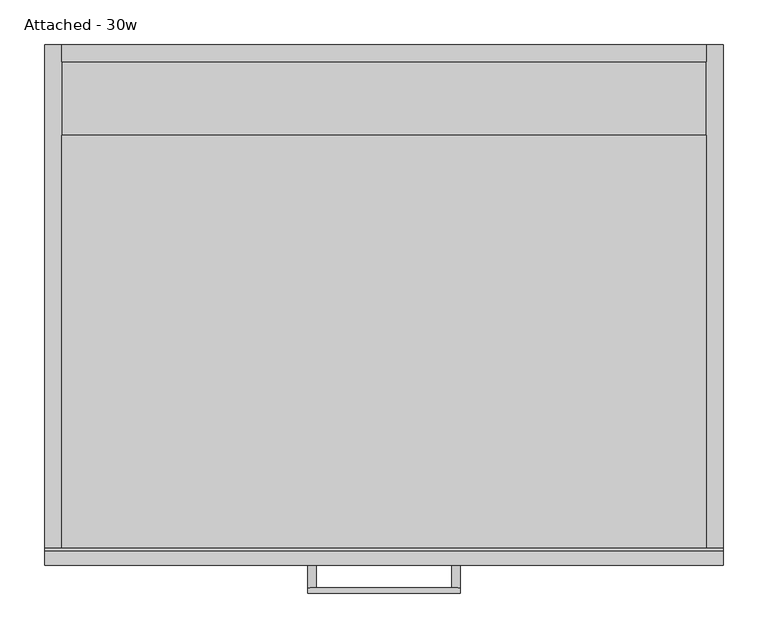
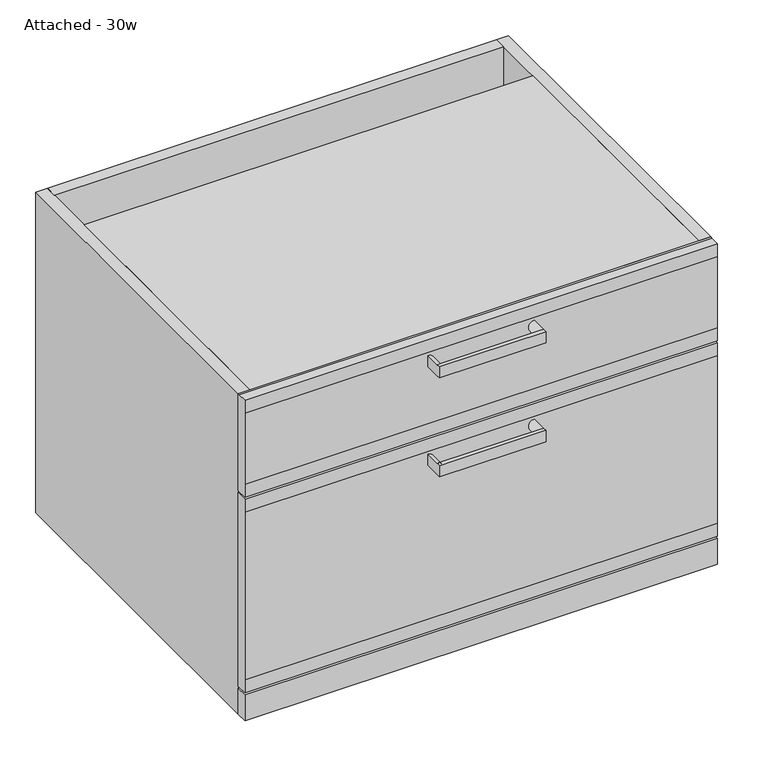
"""IFC4 building model written with IfcOpenShell, lengths in millimetres: furniture geometry, Attached - 30w."""

import ifcopenshell
import ifcopenshell.guid

model = None  # the IFC model being written
_history = None  # IfcOwnerHistory: only IFC2X3 demands one
_inside = {}  # id of a spatial element -> (the spatial element, [elements in it])
_under = {}  # id of a project, library or spatial element -> (it, [spatial elements below it])
_declared = {}  # id of a project -> (the project, [libraries it declares])
_typed = {}  # id of a type object -> (the type object, [elements of that type])
_made_of = {}  # id of a material, layer set ... -> (it, [elements and type objects made of it])


def new_model(schema):
    """Start an empty IFC model of exactly this schema.

    Asked for "IFC4X3", IfcOpenShell would pick the latest addendum, in which some entities
    have other attributes; the version numbers below select the first issue.
    IFC2X3 requires an IfcOwnerHistory on every rooted entity: one is made here for all.
    """
    global model, _history
    if schema == "IFC4X3":
        model = ifcopenshell.file(schema_version=(4, 3, 0, 0))
    else:
        model = ifcopenshell.file(schema=schema)
    _inside.clear()
    _under.clear()
    _declared.clear()
    _typed.clear()
    _made_of.clear()
    _history = None
    if model.schema == "IFC2X3":
        org = make("IfcOrganization", Name="unknown")
        user = make(
            "IfcPersonAndOrganization",
            ThePerson=make("IfcPerson", FamilyName="unknown"),
            TheOrganization=org,
        )
        app = make(
            "IfcApplication",
            ApplicationDeveloper=org,
            Version="unknown",
            ApplicationFullName="unknown",
            ApplicationIdentifier="unknown",
        )
        _history = make(
            "IfcOwnerHistory",
            OwningUser=user,
            OwningApplication=app,
            ChangeAction="ADDED",
            CreationDate=0,
        )
    return model


def make(cls, **values):
    """One entity of the class cls with the attributes given. An attribute that is None is left unset."""
    return model.create_entity(
        cls, **{name: value for name, value in values.items() if value is not None}
    )


def rooted(cls, **values):
    """An entity with a GlobalId (a new one), such as an element, a storey or a relation."""
    return make(cls, GlobalId=ifcopenshell.guid.new(), OwnerHistory=_history, **values)


def si_unit(unit_type, name, prefix=None):
    """IfcSIUnit, for example si_unit("LENGTHUNIT", "METRE", prefix="MILLI")."""
    return make("IfcSIUnit", UnitType=unit_type, Prefix=prefix, Name=name)


def assignment(units):
    """IfcUnitAssignment: the units of a project."""
    return None if units is None else make("IfcUnitAssignment", Units=units)


def point(xyz):
    """IfcCartesianPoint."""
    return None if xyz is None else make("IfcCartesianPoint", Coordinates=xyz)


def direction(xyz):
    """IfcDirection."""
    return None if xyz is None else make("IfcDirection", DirectionRatios=xyz)


def frame(location, z_axis=None, x_axis=None):
    """IfcAxis2Placement3D, a coordinate frame: its origin and axes. An axis left out is left unset."""
    return make(
        "IfcAxis2Placement3D",
        Location=point(location),
        Axis=direction(z_axis),
        RefDirection=direction(x_axis),
    )


def origin():
    """The frame at (0, 0, 0) with its axes left unset."""
    return frame((0.0, 0.0, 0.0))


def origin_with_axes():
    """The frame at (0, 0, 0) with the z axis (0, 0, 1) and the x axis (1, 0, 0) written out."""
    return frame((0.0, 0.0, 0.0), z_axis=(0.0, 0.0, 1.0), x_axis=(1.0, 0.0, 0.0))


def place(relative_to, where):
    """IfcLocalPlacement: puts the frame where relative to a parent placement (None: the world)."""
    return make(
        "IfcLocalPlacement", PlacementRelTo=relative_to, RelativePlacement=where
    )


def context(
    kind, dimensions, precision=None, world=None, true_north=None, identifier=None
):
    """IfcGeometricRepresentationContext, for example the 3D "Model" context."""
    return make(
        "IfcGeometricRepresentationContext",
        ContextIdentifier=identifier,
        ContextType=kind,
        CoordinateSpaceDimension=dimensions,
        Precision=precision,
        WorldCoordinateSystem=world,
        TrueNorth=true_north,
    )


def project(units=None, contexts=None):
    """IfcProject with its units and contexts."""
    return rooted(
        "IfcProject",
        Name="project",
        RepresentationContexts=contexts,
        UnitsInContext=assignment(units),
    )


def spatial(cls, under=None, at=None, **own):
    """A site, building, storey or space (cls), placed at a placement, below another one or the project."""
    s = rooted(cls, ObjectPlacement=at, **own)
    if under is not None:
        _under.setdefault(under.id(), (under, []))[1].append(s)
    return s


def polyline(points):
    """IfcPolyline through the points."""
    return make("IfcPolyline", Points=[point(p) for p in points])


def circle_curve(where, radius):
    """IfcCircle in the frame where."""
    return make("IfcCircle", Position=where, Radius=radius)


def outline(outer, holes=None, kind="AREA"):
    """IfcArbitraryClosedProfileDef: a profile drawn as a closed curve; with holes, ...WithVoids."""
    if holes is None:
        return make("IfcArbitraryClosedProfileDef", ProfileType=kind, OuterCurve=outer)
    return make(
        "IfcArbitraryProfileDefWithVoids",
        ProfileType=kind,
        OuterCurve=outer,
        InnerCurves=holes,
    )


def extrude(swept, where, along, depth):
    """IfcExtrudedAreaSolid: the profile swept, set in the frame where, extruded along a direction by depth."""
    return make(
        "IfcExtrudedAreaSolid",
        SweptArea=swept,
        Position=where,
        ExtrudedDirection=direction(along),
        Depth=depth,
    )


def shape(context_of_items, identifier, shape_type, items):
    """IfcShapeRepresentation: the items that make up one representation, for example the "Body"."""
    return make(
        "IfcShapeRepresentation",
        ContextOfItems=context_of_items,
        RepresentationIdentifier=identifier,
        RepresentationType=shape_type,
        Items=items,
    )


def source(mapping_origin, context_of_items, identifier, shape_type, items):
    """IfcRepresentationMap: a shape defined once, which mapped items show again and again."""
    return make(
        "IfcRepresentationMap",
        MappingOrigin=mapping_origin,
        MappedRepresentation=shape(context_of_items, identifier, shape_type, items),
    )


def transform(
    local_origin,
    x_axis=None,
    y_axis=None,
    z_axis=None,
    scale=None,
    scale2=None,
    scale3=None,
    uniform=True,
):
    """IfcCartesianTransformationOperator3D, or its non-uniform kind. x_axis, y_axis, z_axis: its Axis1, 2, 3."""
    if uniform:
        return make(
            "IfcCartesianTransformationOperator3D",
            Axis1=direction(x_axis),
            Axis2=direction(y_axis),
            LocalOrigin=point(local_origin),
            Scale=scale,
            Axis3=direction(z_axis),
        )
    return make(
        "IfcCartesianTransformationOperator3DnonUniform",
        Axis1=direction(x_axis),
        Axis2=direction(y_axis),
        LocalOrigin=point(local_origin),
        Scale=scale,
        Axis3=direction(z_axis),
        Scale2=scale2,
        Scale3=scale3,
    )


def mapped(mapping_source, mapping_target):
    """IfcMappedItem: shows the shape of a source again, moved by a transform."""
    return make(
        "IfcMappedItem", MappingSource=mapping_source, MappingTarget=mapping_target
    )


def made_of(thing, what):
    """Note that an element or type object is made of a material, layer set ...; save() writes the relation."""
    if what is not None:
        _made_of.setdefault(what.id(), (what, []))[1].append(thing)
    return thing


def element(
    cls,
    number,
    at=None,
    inside=None,
    cuts=None,
    type_object=None,
    material=None,
    context=None,
    identifier="Body",
    shape_type=None,
    held_by="IfcProductDefinitionShape",
    body=None,
    shapes=None,
    **own,
):
    """One element of the class cls, such as IfcWall. Its Tag is "e" and its number.

    at: its placement. inside: the storey or other place that contains it. cuts: it is an
    opening in that element (IfcRelVoidsElement). A single representation is given by context,
    identifier, shape_type and body (its items); several are given by shapes. held_by: the class
    of the entity that holds the representations. save() writes the other relations.
    """
    e = rooted(cls, Tag="e%d" % number, ObjectPlacement=at, **own)
    if body is not None:
        shapes = [shape(context, identifier, shape_type, body)]
    if shapes is not None:
        e.Representation = make(held_by, Representations=shapes)
    if inside is not None:
        _inside.setdefault(inside.id(), (inside, []))[1].append(e)
    if cuts is not None:
        rooted(
            "IfcRelVoidsElement", RelatingBuildingElement=cuts, RelatedOpeningElement=e
        )
    if type_object is not None:
        _typed.setdefault(type_object.id(), (type_object, []))[1].append(e)
    return made_of(e, material)


def aggregate(whole, parts):
    """IfcRelAggregates: a whole, such as a stair, and the parts it consists of."""
    return rooted("IfcRelAggregates", RelatingObject=whole, RelatedObjects=parts)


def save(model, path):
    """Write the relations noted so far, then the file.

    IfcRelAggregates (storeys below a building ...), IfcRelContainedInSpatialStructure (elements
    in a storey), IfcRelDefinesByType, IfcRelAssociatesMaterial and IfcRelDeclares: one each for
    every whole, place, type object, material and project.
    """
    for whole, parts in _under.values():
        aggregate(whole, parts)
    for where, things in _inside.values():
        rooted(
            "IfcRelContainedInSpatialStructure",
            RelatedElements=things,
            RelatingStructure=where,
        )
    for kind, things in _typed.values():
        rooted("IfcRelDefinesByType", RelatedObjects=things, RelatingType=kind)
    for what, things in _made_of.values():
        rooted("IfcRelAssociatesMaterial", RelatedObjects=things, RelatingMaterial=what)
    for by, libraries in _declared.values():
        rooted("IfcRelDeclares", RelatingContext=by, RelatedDefinitions=libraries)
    model.write(path)


def plane_surface(at):
    """IfcPlane: the flat surface through the origin of the frame at, square to its z axis."""
    return make("IfcPlane", Position=at)


def cylinder_surface(at, radius):
    """IfcCylindricalSurface: all points at the distance radius from the z axis of the frame at."""
    return make("IfcCylindricalSurface", Position=at, Radius=radius)


def advanced_brep(points, edges, surfaces, faces):
    """IfcAdvancedBrep: a solid bounded by faces that lie on surfaces and meet in shared edges.

    An edge is (start, end): straight between two places in points (the first is 0);
    or (start, end, curve); or (start, end, curve, False) where it runs against its curve.
    A face is (place in surfaces, loops), or (place, loops, False) where it looks against
    its surface's normal. A loop lists edges by number (the first is 1), with a minus sign
    where the edge is run from its end to its start. The first loop is the outer one.
    """
    corners = [point(p) for p in points]
    vertices = [make("IfcVertexPoint", VertexGeometry=c) for c in corners]
    made = []
    for start, end, *more in edges:
        made.append(
            make(
                "IfcEdgeCurve",
                EdgeStart=vertices[start],
                EdgeEnd=vertices[end],
                EdgeGeometry=more[0] if more else make("IfcPolyline", Points=[corners[start], corners[end]]),
                SameSense=more[1] if len(more) > 1 else True,
            )
        )
    hull = []
    for where, loops, *sense in faces:
        bounds = []
        for j, loop in enumerate(loops):
            ring = [make("IfcOrientedEdge", EdgeElement=made[abs(k) - 1], Orientation=k > 0) for k in loop]
            bounds.append(
                make(
                    "IfcFaceOuterBound" if j == 0 else "IfcFaceBound",
                    Bound=make("IfcEdgeLoop", EdgeList=ring),
                    Orientation=True,
                )
            )
        hull.append(make("IfcAdvancedFace", Bounds=bounds, FaceSurface=surfaces[where], SameSense=sense[0] if sense else True))
    return make("IfcAdvancedBrep", Outer=make("IfcClosedShell", CfsFaces=hull))


def attached_30w_1808c6ea(model_context):
    return source(origin(), model_context, "Body", "SolidModel", [
        advanced_brep(
        [(-85.725, -584.2, 500.0625), (-85.725, -584.2, 519.1125), (-85.725, -609.6000121, 519.1125), (-85.725, -609.6000121, 500.0625), (-85.725, -615.9499879, 500.0625), (-85.725, -615.9499879, 519.1125), (85.725, -584.2, 500.0960294), (85.725, -584.2, 519.0789706), (85.725, -609.6000121, 500.0960294), (85.725, -609.6000121, 519.0789706), (85.725, -615.9499879, 519.1125), (85.725, -615.9499879, 500.0625)],
        [
            (0, 1),
            (1, 0, circle_curve(frame((-85.725, -584.2, 509.5875), z_axis=(0.0, 1.0, 0.0), x_axis=(1.0, 0.0, 0.0)), 9.525)),
            (1, 2),
            (2, 3, circle_curve(frame((-85.725, -609.6000121, 509.5875), z_axis=(0.0, 1.0, 0.0), x_axis=(1.0, 0.0, 0.0)), 9.525)),
            (3, 0),
            (3, 4),
            (4, 5),
            (5, 2),
            (6, 7, circle_curve(frame((85.725, -584.2, 509.5875), z_axis=(0.0, 1.0, 0.0), x_axis=(-1.0, 0.0, 0.0)), 9.4914706)),
            (7, 6),
            (6, 8),
            (8, 9, circle_curve(frame((85.725, -609.6000121, 509.5875), z_axis=(0.0, 1.0, 0.0), x_axis=(-1.0, 0.0, 0.0)), 9.4914706)),
            (9, 7),
            (9, 10),
            (10, 11),
            (11, 8),
            (10, 5),
            (4, 11),
            (8, 3),
            (2, 9),
        ],
        [
            plane_surface(frame((-76.2, -584.2, 509.5875), z_axis=(0.0, 1.0, 0.0), x_axis=(0.0, 0.0, -1.0))),
            cylinder_surface(frame((-85.725, -584.2, 509.5875), z_axis=(0.0, -1.0, 0.0), x_axis=(1.0, 0.0, 0.0)), 9.525),
            plane_surface(frame((-85.725, -609.6000121, 519.1125), z_axis=(-1.0, 0.0, 0.0), x_axis=(0.0, 1.0, 0.0))),
            plane_surface(frame((85.725, -584.2, 519.0789706), z_axis=(0.0, 1.0, 0.0), x_axis=(0.0, 0.0, -1.0))),
            cylinder_surface(frame((85.725, -584.2, 509.5875), z_axis=(0.0, -1.0, 0.0), x_axis=(-1.0, 0.0, 0.0)), 9.4914706),
            plane_surface(frame((85.725, -609.6000121, 500.0960294), z_axis=(1.0, 0.0, 0.0), x_axis=(0.0, 1.0, 0.0))),
            plane_surface(frame((-85.725, -615.9499879, 519.1125), z_axis=(0.0, -1.0, 0.0), x_axis=(-1.0, 0.0, 0.0))),
            plane_surface(frame((-85.725, -609.6000121, 519.1125), z_axis=(0.0, 1.0, 0.0), x_axis=(1.0, 0.0, 0.0))),
            plane_surface(frame((-85.725, -615.9499879, 500.0625), z_axis=(0.0, 0.0, -1.0), x_axis=(0.0, 1.0, 0.0))),
            plane_surface(frame((85.725, -615.9499879, 519.1125), z_axis=(0.0, 0.0, 1.0), x_axis=(0.0, 1.0, 0.0))),
        ],
        [
            (0, [[1, 2]]),
            (1, [[-2, 3, 4, 5]]),
            (2, [[-1, -5, 6, 7, 8, -3]]),
            (3, [[9, 10]]),
            (4, [[-9, 11, 12, 13]]),
            (5, [[-10, -13, 14, 15, 16, -11]]),
            (6, [[17, -7, 18, -15]]),
            (7, [[19, -4, 20, -12]]),
            (8, [[-18, -6, -19, -16]]),
            (9, [[-17, -14, -20, -8]]),
        ],
    ),
        extrude(outline(polyline([(-568.325, 546.1), (-565.15, 546.1), (-565.15, 381.0), (-568.325, 381.0), (-584.2, 381.0), (-584.2, 403.225), (-584.2, 523.875), (-584.2, 546.1), (-568.325, 546.1)])), frame((-381.0, 0.0, 0.0), z_axis=(1.0, 0.0, 0.0), x_axis=(0.0, 1.0, 0.0)), (0.0, 0.0, 1.0), 762.0),
        advanced_brep(
        [(-85.725, -584.2, 331.7875), (-85.725, -584.2, 350.8375), (-85.725, -609.6000121, 350.8375), (-85.725, -609.6000121, 331.7875), (-85.725, -615.9499879, 331.7875), (-85.725, -615.9499879, 350.8375), (85.725, -584.2, 331.8210294), (85.725, -584.2, 350.8039706), (85.725, -609.6000121, 331.8210294), (85.725, -609.6000121, 350.8039706), (85.725, -615.9499879, 350.8375), (85.725, -615.9499879, 331.7875)],
        [
            (0, 1),
            (1, 0, circle_curve(frame((-85.725, -584.2, 341.3125), z_axis=(0.0, 1.0, 0.0), x_axis=(1.0, 0.0, 0.0)), 9.525)),
            (1, 2),
            (2, 3, circle_curve(frame((-85.725, -609.6000121, 341.3125), z_axis=(0.0, 1.0, 0.0), x_axis=(1.0, 0.0, 0.0)), 9.525)),
            (3, 0),
            (3, 4),
            (4, 5),
            (5, 2),
            (6, 7, circle_curve(frame((85.725, -584.2, 341.3125), z_axis=(0.0, 1.0, 0.0), x_axis=(-1.0, 0.0, 0.0)), 9.4914706)),
            (7, 6),
            (6, 8),
            (8, 9, circle_curve(frame((85.725, -609.6000121, 341.3125), z_axis=(0.0, 1.0, 0.0), x_axis=(-1.0, 0.0, 0.0)), 9.4914706)),
            (9, 7),
            (9, 10),
            (10, 11),
            (11, 8),
            (10, 5),
            (4, 11),
            (8, 3),
            (2, 9),
        ],
        [
            plane_surface(frame((-76.2, -584.2, 341.3125), z_axis=(0.0, 1.0, 0.0), x_axis=(0.0, 0.0, -1.0))),
            cylinder_surface(frame((-85.725, -584.2, 341.3125), z_axis=(0.0, -1.0, 0.0), x_axis=(1.0, 0.0, 0.0)), 9.525),
            plane_surface(frame((-85.725, -609.6000121, 350.8375), z_axis=(-1.0, 0.0, 0.0), x_axis=(0.0, 1.0, 0.0))),
            plane_surface(frame((85.725, -584.2, 350.8039706), z_axis=(0.0, 1.0, 0.0), x_axis=(0.0, 0.0, -1.0))),
            cylinder_surface(frame((85.725, -584.2, 341.3125), z_axis=(0.0, -1.0, 0.0), x_axis=(-1.0, 0.0, 0.0)), 9.4914706),
            plane_surface(frame((85.725, -609.6000121, 331.8210294), z_axis=(1.0, 0.0, 0.0), x_axis=(0.0, 1.0, 0.0))),
            plane_surface(frame((-85.725, -615.9499879, 350.8375), z_axis=(0.0, -1.0, 0.0), x_axis=(-1.0, 0.0, 0.0))),
            plane_surface(frame((-85.725, -609.6000121, 350.8375), z_axis=(0.0, 1.0, 0.0), x_axis=(1.0, 0.0, 0.0))),
            plane_surface(frame((-85.725, -615.9499879, 331.7875), z_axis=(0.0, 0.0, -1.0), x_axis=(0.0, 1.0, 0.0))),
            plane_surface(frame((85.725, -615.9499879, 350.8375), z_axis=(0.0, 0.0, 1.0), x_axis=(0.0, 1.0, 0.0))),
        ],
        [
            (0, [[1, 2]]),
            (1, [[-2, 3, 4, 5]]),
            (2, [[-1, -5, 6, 7, 8, -3]]),
            (3, [[9, 10]]),
            (4, [[-9, 11, 12, 13]]),
            (5, [[-10, -13, 14, 15, 16, -11]]),
            (6, [[17, -7, 18, -15]]),
            (7, [[19, -4, 20, -12]]),
            (8, [[-18, -6, -19, -16]]),
            (9, [[-17, -14, -20, -8]]),
        ],
    ),
        extrude(outline(polyline([(-568.325, 377.825), (-565.15, 377.825), (-565.15, 47.625), (-568.325, 47.625), (-584.2, 47.625), (-584.2, 69.85), (-584.2, 355.6), (-584.2, 377.825), (-568.325, 377.825)])), frame((-381.0, 0.0, 0.0), z_axis=(1.0, 0.0, 0.0), x_axis=(0.0, 1.0, 0.0)), (0.0, 0.0, 1.0), 762.0),
        extrude(outline(polyline([(-361.95, 0.0), (361.95, 0.0), (361.95, -565.15), (-361.95, -565.15), (-361.95, 0.0)])), origin_with_axes(), (0.0, 0.0, 1.0), 19.05),
        extrude(outline(polyline([(-361.95, 0.0), (361.95, 0.0), (361.95, -19.05), (-361.95, -19.05), (-361.95, 0.0)])), frame((0.0, 0.0, 327.025), z_axis=(0.0, 0.0, 1.0), x_axis=(1.0, 0.0, 0.0)), (0.0, 0.0, 1.0), 219.075),
        extrude(outline(polyline([(-361.95, -101.6), (361.95, -101.6), (361.95, -565.15), (-361.95, -565.15), (-361.95, -101.6)])), frame((0.0, 0.0, 528.6375), z_axis=(0.0, 0.0, 1.0), x_axis=(1.0, 0.0, 0.0)), (0.0, 0.0, 1.0), 17.4625),
        extrude(outline(polyline([(381.0, 0.0), (381.0, -565.15), (361.95, -565.15), (361.95, 0.0), (381.0, 0.0)])), origin_with_axes(), (0.0, 0.0, 1.0), 546.1),
        extrude(outline(polyline([(381.0, -565.15), (381.0, -584.2), (-381.0, -584.2), (-381.0, -565.15), (381.0, -565.15)])), origin_with_axes(), (0.0, 0.0, 1.0), 44.45),
        extrude(outline(polyline([(-361.95, 0.0), (-361.95, -565.15), (-381.0, -565.15), (-381.0, 0.0), (-361.95, 0.0)])), origin_with_axes(), (0.0, 0.0, 1.0), 546.1),
    ])


if __name__ == "__main__":
    model = new_model("IFC4")
    model_context = context("Model", 3, world=origin())
    ifc_project = project(units=[si_unit("LENGTHUNIT", "METRE", prefix="MILLI")], contexts=[model_context])
    site = spatial("IfcSite", under=ifc_project)
    building = spatial("IfcBuilding", under=site)
    placement = place(None, origin())
    attached_30w_shape = attached_30w_1808c6ea(model_context)
    element("IfcFurniture", 1, ObjectType="Attached - 30w", at=placement, inside=building, context=model_context, shape_type="MappedRepresentation", body=[
        mapped(attached_30w_shape, transform((0.0, 0.0, 0.0), x_axis=(1.0, 0.0, 0.0), y_axis=(0.0, 1.0, 0.0), z_axis=(0.0, 0.0, 1.0))),
    ])
    save(model, "model.ifc")
